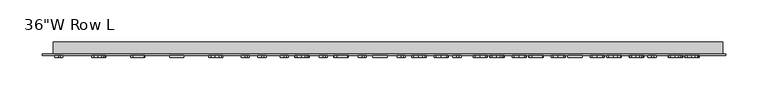
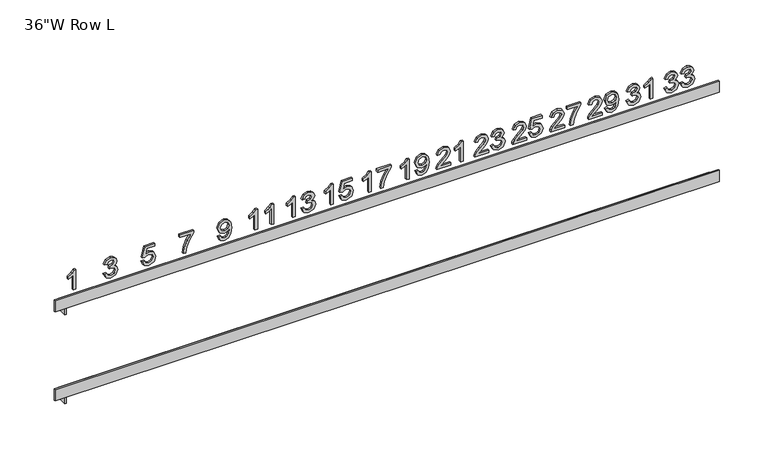
"""IFC4 building model written with IfcOpenShell, lengths in millimetres: furniture geometry."""

from ifc_helpers import new_model, si_unit, frame, origin, place, context, project, spatial, polyline, outline, extrude, faceted_brep, source, transform, mapped, element, save


def furniture_9cf8987b(model_context):
    return source(origin(), model_context, "Body", "SolidModel", [
        extrude(outline(polyline([(1595.6086217, 354.4129251), (1590.4319334, 356.9483187), (1588.432274, 362.5423814), (1590.7745542, 368.7157847), (1596.4807473, 371.1577363), (1600.6295732, 369.9367605), (1602.8098872, 366.4607171), (1604.921677, 369.0770938), (1607.8619861, 369.9616783), (1611.0795066, 369.0303728), (1613.4716225, 366.3392424), (1614.3468628, 362.4925457), (1612.5714643, 357.4217584), (1607.5692011, 354.8116111), (1607.1705151, 358.0010989), (1610.16066, 359.5646955), (1611.1573749, 362.6046761), (1610.1700042, 365.6072799), (1607.6751021, 366.7721905), (1604.8593823, 365.1649876), (1603.9810273, 361.0348501), (1600.7915394, 360.6797704), (1601.1403897, 362.9161495), (1599.835316, 366.5417002), (1596.5368125, 367.9682484), (1593.0358512, 366.5292412), (1591.6217619, 362.6545119), (1592.6496242, 359.3622378), (1596.0073077, 357.6024129), (1595.6086217, 354.4129251)])), frame((0.0, -18.25625, 0.0), z_axis=(0.0, 1.0, 0.0), x_axis=(0.0, 0.0, 1.0)), (0.0, 0.0, 1.0), 2.38125),
        extrude(outline(polyline([(1595.6086217, 373.9485382), (1590.4319334, 376.4839318), (1588.432274, 382.0779945), (1590.7745542, 388.2513977), (1596.4807473, 390.6933494), (1600.6295732, 389.4723735), (1602.8098872, 385.9963301), (1604.921677, 388.6127069), (1607.8619861, 389.4972914), (1611.0795066, 388.5659859), (1613.4716225, 385.8748555), (1614.3468628, 382.0281587), (1612.5714643, 376.9573714), (1607.5692011, 374.3472241), (1607.1705151, 377.536712), (1610.16066, 379.1003086), (1611.1573749, 382.1402892), (1610.1700042, 385.142893), (1607.6751021, 386.3078036), (1604.8593823, 384.7006007), (1603.9810273, 380.5704631), (1600.7915394, 380.2153834), (1601.1403897, 382.4517626), (1599.835316, 386.0773132), (1596.5368125, 387.5038615), (1593.0358512, 386.0648543), (1591.6217619, 382.1901249), (1592.6496242, 378.8978508), (1596.0073077, 377.138026), (1595.6086217, 373.9485382)])), frame((0.0, -18.25625, 0.0), z_axis=(0.0, 1.0, 0.0), x_axis=(0.0, 0.0, 1.0)), (0.0, 0.0, 1.0), 2.38125),
        extrude(outline(polyline([(1595.6086217, 308.3754251), (1590.4319334, 310.9108187), (1588.432274, 316.5048814), (1590.7745542, 322.6782847), (1596.4807473, 325.1202363), (1600.6295732, 323.8992605), (1602.8098872, 320.4232171), (1604.921677, 323.0395938), (1607.8619861, 323.9241783), (1611.0795066, 322.9928728), (1613.4716225, 320.3017424), (1614.3468628, 316.4550457), (1612.5714643, 311.3842584), (1607.5692011, 308.7741111), (1607.1705151, 311.9635989), (1610.16066, 313.5271955), (1611.1573749, 316.5671761), (1610.1700042, 319.5697799), (1607.6751021, 320.7346905), (1604.8593823, 319.1274876), (1603.9810273, 314.9973501), (1600.7915394, 314.6422704), (1601.1403897, 316.8786495), (1599.835316, 320.5042002), (1596.5368125, 321.9307484), (1593.0358512, 320.4917412), (1591.6217619, 316.6170119), (1592.6496242, 313.3247378), (1596.0073077, 311.5649129), (1595.6086217, 308.3754251)])), frame((0.0, -18.25625, 0.0), z_axis=(0.0, 1.0, 0.0), x_axis=(0.0, 0.0, 1.0)), (0.0, 0.0, 1.0), 2.38125),
        extrude(outline(polyline([(1588.83096, 339.8716176), (1614.3468628, 339.8716176), (1614.3468628, 337.815893), (1610.9518025, 334.9783701), (1607.9678871, 330.303154), (1604.9528244, 330.303154), (1606.5631419, 333.6608375), (1608.7154233, 336.6821297), (1588.83096, 336.6821297), (1588.83096, 339.8716176)])), frame((0.0, -18.25625, 0.0), z_axis=(0.0, 1.0, 0.0), x_axis=(0.0, 0.0, 1.0)), (0.0, 0.0, 1.0), 2.38125),
        extrude(outline(polyline([(1592.0204478, 278.6840503), (1592.0204478, 266.1565893), (1593.6432244, 267.5955965), (1596.7112376, 271.2647534), (1601.0812097, 275.8340685), (1604.2084029, 277.7184827), (1607.2328098, 278.2853643), (1612.3035971, 276.1829187), (1614.3468628, 270.4736109), (1612.5091696, 264.7829915), (1607.1705151, 262.3379251), (1606.7718291, 265.5274129), (1609.9924643, 266.8698634), (1611.1573749, 270.4050867), (1609.9644317, 273.7970323), (1607.0396963, 275.0958765), (1603.4266046, 273.719164), (1598.112868, 268.2123138), (1594.4156785, 264.2192246), (1591.0299624, 262.2818599), (1588.83096, 261.9392391), (1588.83096, 278.6840503), (1592.0204478, 278.6840503)])), frame((0.0, -18.25625, 0.0), z_axis=(0.0, 1.0, 0.0), x_axis=(0.0, 0.0, 1.0)), (0.0, 0.0, 1.0), 2.38125),
        extrude(outline(polyline([(1595.2099357, 282.2722241), (1590.2107873, 284.5584391), (1588.432274, 289.4610307), (1589.9398054, 294.3854255), (1594.3284659, 297.5531102), (1602.0748099, 298.6183494), (1609.2137808, 297.5499955), (1613.0137565, 294.4228023), (1614.3468628, 289.8784051), (1612.0108121, 284.1566383), (1605.8436383, 281.8735382), (1599.8695781, 284.0507374), (1597.6020516, 289.3800476), (1598.5302424, 292.8778942), (1600.3243293, 295.4475499), (1596.624025, 294.9865692), (1593.8519116, 293.9431333), (1592.229135, 292.1926526), (1591.6217619, 289.610538), (1592.5655263, 286.8944897), (1595.6086217, 285.461712), (1595.2099357, 282.2722241)]), holes=[polyline([(1605.918392, 295.4288615), (1602.1526783, 293.9867396), (1600.7915394, 290.3082384), (1602.1526783, 286.4771153), (1605.6879016, 285.063026), (1609.6342699, 286.5580984), (1611.1573749, 290.395451), (1609.7432856, 294.052149), (1605.918392, 295.4288615)])]), frame((0.0, -18.25625, 0.0), z_axis=(0.0, 1.0, 0.0), x_axis=(0.0, 0.0, 1.0)), (0.0, 0.0, 1.0), 2.38125),
        extrude(outline(polyline([(1592.0204478, 232.6465503), (1592.0204478, 220.1190893), (1593.6432244, 221.5580965), (1596.7112376, 225.2272534), (1601.0812097, 229.7965685), (1604.2084029, 231.6809827), (1607.2328098, 232.2478643), (1612.3035971, 230.1454187), (1614.3468628, 224.4361109), (1612.5091696, 218.7454915), (1607.1705151, 216.3004251), (1606.7718291, 219.4899129), (1609.9924643, 220.8323634), (1611.1573749, 224.3675867), (1609.9644317, 227.7595323), (1607.0396963, 229.0583765), (1603.4266046, 227.681664), (1598.112868, 222.1748138), (1594.4156785, 218.1817246), (1591.0299624, 216.2443599), (1588.83096, 215.9017391), (1588.83096, 232.6465503), (1592.0204478, 232.6465503)])), frame((0.0, -18.25625, 0.0), z_axis=(0.0, 1.0, 0.0), x_axis=(0.0, 0.0, 1.0)), (0.0, 0.0, 1.0), 2.38125),
        extrude(outline(polyline([(1610.7586889, 235.8360382), (1610.7586889, 249.3913615), (1604.1585671, 244.5697529), (1596.0259961, 241.0905948), (1588.83096, 239.822898), (1588.83096, 243.0123858), (1595.7643584, 244.1959848), (1604.5074174, 247.8308797), (1611.3691769, 252.5808494), (1613.9481768, 252.5808494), (1613.9481768, 235.8360382), (1610.7586889, 235.8360382)])), frame((0.0, -18.25625, 0.0), z_axis=(0.0, 1.0, 0.0), x_axis=(0.0, 0.0, 1.0)), (0.0, 0.0, 1.0), 2.38125),
        extrude(outline(polyline([(1592.0204478, 186.6090503), (1592.0204478, 174.0815893), (1593.6432244, 175.5205965), (1596.7112376, 179.1897534), (1601.0812097, 183.7590685), (1604.2084029, 185.6434827), (1607.2328098, 186.2103643), (1612.3035971, 184.1079187), (1614.3468628, 178.3986109), (1612.5091696, 172.7079915), (1607.1705151, 170.2629251), (1606.7718291, 173.4524129), (1609.9924643, 174.7948634), (1611.1573749, 178.3300867), (1609.9644317, 181.7220323), (1607.0396963, 183.0208765), (1603.4266046, 181.644164), (1598.112868, 176.1373138), (1594.4156785, 172.1442246), (1591.0299624, 170.2068599), (1588.83096, 169.8642391), (1588.83096, 186.6090503), (1592.0204478, 186.6090503)])), frame((0.0, -18.25625, 0.0), z_axis=(0.0, 1.0, 0.0), x_axis=(0.0, 0.0, 1.0)), (0.0, 0.0, 1.0), 2.38125),
        extrude(outline(polyline([(1595.6086217, 189.7985382), (1590.3976713, 192.2872108), (1588.432274, 197.9155355), (1591.490943, 204.54369), (1597.4089381, 206.5433494), (1603.2895563, 204.3225438), (1605.5757712, 198.8686442), (1603.7318485, 194.2027723), (1610.7586889, 195.5670259), (1610.7586889, 205.3472914), (1613.9481768, 205.3472914), (1613.9481768, 192.988026), (1600.7915394, 190.1972241), (1600.3928534, 193.386712), (1601.8318607, 195.1776842), (1602.3862834, 197.9778302), (1600.9971119, 202.0176405), (1597.2095951, 203.3538615), (1593.1510964, 201.9273132), (1591.6217619, 197.9279945), (1592.721263, 194.5952289), (1596.0073077, 192.988026), (1595.6086217, 189.7985382)])), frame((0.0, -18.25625, 0.0), z_axis=(0.0, 1.0, 0.0), x_axis=(0.0, 0.0, 1.0)), (0.0, 0.0, 1.0), 2.38125),
        extrude(outline(polyline([(1592.0204478, 140.5715503), (1592.0204478, 128.0440893), (1593.6432244, 129.4830965), (1596.7112376, 133.1522534), (1601.0812097, 137.7215685), (1604.2084029, 139.6059827), (1607.2328098, 140.1728643), (1612.3035971, 138.0704187), (1614.3468628, 132.3611109), (1612.5091696, 126.6704915), (1607.1705151, 124.2254251), (1606.7718291, 127.4149129), (1609.9924643, 128.7573634), (1611.1573749, 132.2925867), (1609.9644317, 135.6845323), (1607.0396963, 136.9833765), (1603.4266046, 135.606664), (1598.112868, 130.0998138), (1594.4156785, 126.1067246), (1591.0299624, 124.1693599), (1588.83096, 123.8267391), (1588.83096, 140.5715503), (1592.0204478, 140.5715503)])), frame((0.0, -18.25625, 0.0), z_axis=(0.0, 1.0, 0.0), x_axis=(0.0, 0.0, 1.0)), (0.0, 0.0, 1.0), 2.38125),
        extrude(outline(polyline([(1595.6086217, 143.7610382), (1590.4319334, 146.2964318), (1588.432274, 151.8904945), (1590.7745542, 158.0638977), (1596.4807473, 160.5058494), (1600.6295732, 159.2848735), (1602.8098872, 155.8088301), (1604.921677, 158.4252069), (1607.8619861, 159.3097914), (1611.0795066, 158.3784859), (1613.4716225, 155.6873555), (1614.3468628, 151.8406587), (1612.5714643, 146.7698714), (1607.5692011, 144.1597241), (1607.1705151, 147.349212), (1610.16066, 148.9128086), (1611.1573749, 151.9527892), (1610.1700042, 154.955393), (1607.6751021, 156.1203036), (1604.8593823, 154.5131007), (1603.9810273, 150.3829631), (1600.7915394, 150.0278834), (1601.1403897, 152.2642626), (1599.835316, 155.8898132), (1596.5368125, 157.3163615), (1593.0358512, 155.8773543), (1591.6217619, 152.0026249), (1592.6496242, 148.7103508), (1596.0073077, 146.950526), (1595.6086217, 143.7610382)])), frame((0.0, -18.25625, 0.0), z_axis=(0.0, 1.0, 0.0), x_axis=(0.0, 0.0, 1.0)), (0.0, 0.0, 1.0), 2.38125),
        extrude(outline(polyline([(1592.0204478, 94.5340503), (1592.0204478, 82.0065893), (1593.6432244, 83.4455965), (1596.7112376, 87.1147534), (1601.0812097, 91.6840685), (1604.2084029, 93.5684827), (1607.2328098, 94.1353643), (1612.3035971, 92.0329187), (1614.3468628, 86.3236109), (1612.5091696, 80.6329915), (1607.1705151, 78.1879251), (1606.7718291, 81.3774129), (1609.9924643, 82.7198634), (1611.1573749, 86.2550867), (1609.9644317, 89.6470323), (1607.0396963, 90.9458765), (1603.4266046, 89.569164), (1598.112868, 84.0623138), (1594.4156785, 80.0692246), (1591.0299624, 78.1318599), (1588.83096, 77.7892391), (1588.83096, 94.5340503), (1592.0204478, 94.5340503)])), frame((0.0, -18.25625, 0.0), z_axis=(0.0, 1.0, 0.0), x_axis=(0.0, 0.0, 1.0)), (0.0, 0.0, 1.0), 2.38125),
        extrude(outline(polyline([(1588.83096, 109.6841176), (1614.3468628, 109.6841176), (1614.3468628, 107.628393), (1610.9518025, 104.7908701), (1607.9678871, 100.115654), (1604.9528244, 100.115654), (1606.5631419, 103.4733375), (1608.7154233, 106.4946297), (1588.83096, 106.4946297), (1588.83096, 109.6841176)])), frame((0.0, -18.25625, 0.0), z_axis=(0.0, 1.0, 0.0), x_axis=(0.0, 0.0, 1.0)), (0.0, 0.0, 1.0), 2.38125),
        extrude(outline(polyline([(1588.83096, 44.1110045), (1614.3468628, 44.1110045), (1614.3468628, 42.0552799), (1610.9518025, 39.217757), (1607.9678871, 34.542541), (1604.9528244, 34.542541), (1606.5631419, 37.9002245), (1608.7154233, 40.9215167), (1588.83096, 40.9215167), (1588.83096, 44.1110045)])), frame((0.0, -18.25625, 0.0), z_axis=(0.0, 1.0, 0.0), x_axis=(0.0, 0.0, 1.0)), (0.0, 0.0, 1.0), 2.38125),
        extrude(outline(polyline([(1595.2099357, 52.0847241), (1590.2107873, 54.3709391), (1588.432274, 59.2735307), (1589.9398054, 64.1979255), (1594.3284659, 67.3656102), (1602.0748099, 68.4308494), (1609.2137808, 67.3624955), (1613.0137565, 64.2353023), (1614.3468628, 59.6909051), (1612.0108121, 53.9691383), (1605.8436383, 51.6860382), (1599.8695781, 53.8632374), (1597.6020516, 59.1925476), (1598.5302424, 62.6903942), (1600.3243293, 65.2600499), (1596.624025, 64.7990692), (1593.8519116, 63.7556333), (1592.229135, 62.0051526), (1591.6217619, 59.423038), (1592.5655263, 56.7069897), (1595.6086217, 55.274212), (1595.2099357, 52.0847241)]), holes=[polyline([(1605.918392, 65.2413615), (1602.1526783, 63.7992396), (1600.7915394, 60.1207384), (1602.1526783, 56.2896153), (1605.6879016, 54.875526), (1609.6342699, 56.3705984), (1611.1573749, 60.207951), (1609.7432856, 63.864649), (1605.918392, 65.2413615)])]), frame((0.0, -18.25625, 0.0), z_axis=(0.0, 1.0, 0.0), x_axis=(0.0, 0.0, 1.0)), (0.0, 0.0, 1.0), 2.38125),
        extrude(outline(polyline([(1588.83096, -1.9264955), (1614.3468628, -1.9264955), (1614.3468628, -3.9822201), (1610.9518025, -6.819743), (1607.9678871, -11.494959), (1604.9528244, -11.494959), (1606.5631419, -8.1372755), (1608.7154233, -5.1159833), (1588.83096, -5.1159833), (1588.83096, -1.9264955)])), frame((0.0, -18.25625, 0.0), z_axis=(0.0, 1.0, 0.0), x_axis=(0.0, 0.0, 1.0)), (0.0, 0.0, 1.0), 2.38125),
        extrude(outline(polyline([(1610.7586889, 5.6485382), (1610.7586889, 19.2038615), (1604.1585671, 14.3822529), (1596.0259961, 10.9030948), (1588.83096, 9.635398), (1588.83096, 12.8248858), (1595.7643584, 14.0084848), (1604.5074174, 17.6433797), (1611.3691769, 22.3933494), (1613.9481768, 22.3933494), (1613.9481768, 5.6485382), (1610.7586889, 5.6485382)])), frame((0.0, -18.25625, 0.0), z_axis=(0.0, 1.0, 0.0), x_axis=(0.0, 0.0, 1.0)), (0.0, 0.0, 1.0), 2.38125),
        extrude(outline(polyline([(1588.83096, -47.9639955), (1614.3468628, -47.9639955), (1614.3468628, -50.0197201), (1610.9518025, -52.857243), (1607.9678871, -57.532459), (1604.9528244, -57.532459), (1606.5631419, -54.1747755), (1608.7154233, -51.1534833), (1588.83096, -51.1534833), (1588.83096, -47.9639955)])), frame((0.0, -18.25625, 0.0), z_axis=(0.0, 1.0, 0.0), x_axis=(0.0, 0.0, 1.0)), (0.0, 0.0, 1.0), 2.38125),
        extrude(outline(polyline([(1595.6086217, -40.3889618), (1590.3976713, -37.9002892), (1588.432274, -32.2719645), (1591.490943, -25.64381), (1597.4089381, -23.6441506), (1603.2895563, -25.8649562), (1605.5757712, -31.3188558), (1603.7318485, -35.9847277), (1610.7586889, -34.6204741), (1610.7586889, -24.8402086), (1613.9481768, -24.8402086), (1613.9481768, -37.199474), (1600.7915394, -39.9902759), (1600.3928534, -36.800788), (1601.8318607, -35.0098158), (1602.3862834, -32.2096698), (1600.9971119, -28.1698595), (1597.2095951, -26.8336385), (1593.1510964, -28.2601868), (1591.6217619, -32.2595055), (1592.721263, -35.5922711), (1596.0073077, -37.199474), (1595.6086217, -40.3889618)])), frame((0.0, -18.25625, 0.0), z_axis=(0.0, 1.0, 0.0), x_axis=(0.0, 0.0, 1.0)), (0.0, 0.0, 1.0), 2.38125),
        extrude(outline(polyline([(1588.83096, -94.0014955), (1614.3468628, -94.0014955), (1614.3468628, -96.0572201), (1610.9518025, -98.894743), (1607.9678871, -103.569959), (1604.9528244, -103.569959), (1606.5631419, -100.2122755), (1608.7154233, -97.1909833), (1588.83096, -97.1909833), (1588.83096, -94.0014955)])), frame((0.0, -18.25625, 0.0), z_axis=(0.0, 1.0, 0.0), x_axis=(0.0, 0.0, 1.0)), (0.0, 0.0, 1.0), 2.38125),
        extrude(outline(polyline([(1595.6086217, -86.4264618), (1590.4319334, -83.8910682), (1588.432274, -78.2970055), (1590.7745542, -72.1236023), (1596.4807473, -69.6816506), (1600.6295732, -70.9026265), (1602.8098872, -74.3786699), (1604.921677, -71.7622931), (1607.8619861, -70.8777086), (1611.0795066, -71.8090141), (1613.4716225, -74.5001445), (1614.3468628, -78.3468413), (1612.5714643, -83.4176286), (1607.5692011, -86.0277759), (1607.1705151, -82.838288), (1610.16066, -81.2746914), (1611.1573749, -78.2347108), (1610.1700042, -75.232107), (1607.6751021, -74.0671964), (1604.8593823, -75.6743993), (1603.9810273, -79.8045369), (1600.7915394, -80.1596166), (1601.1403897, -77.9232374), (1599.835316, -74.2976868), (1596.5368125, -72.8711385), (1593.0358512, -74.3101457), (1591.6217619, -78.1848751), (1592.6496242, -81.4771492), (1596.0073077, -83.236974), (1595.6086217, -86.4264618)])), frame((0.0, -18.25625, 0.0), z_axis=(0.0, 1.0, 0.0), x_axis=(0.0, 0.0, 1.0)), (0.0, 0.0, 1.0), 2.38125),
        extrude(outline(polyline([(1588.83096, -140.0389955), (1614.3468628, -140.0389955), (1614.3468628, -142.0947201), (1610.9518025, -144.932243), (1607.9678871, -149.607459), (1604.9528244, -149.607459), (1606.5631419, -146.2497755), (1608.7154233, -143.2284833), (1588.83096, -143.2284833), (1588.83096, -140.0389955)])), frame((0.0, -18.25625, 0.0), z_axis=(0.0, 1.0, 0.0), x_axis=(0.0, 0.0, 1.0)), (0.0, 0.0, 1.0), 2.38125),
        extrude(outline(polyline([(1588.83096, -120.5033824), (1614.3468628, -120.5033824), (1614.3468628, -122.559107), (1610.9518025, -125.3966299), (1607.9678871, -130.071846), (1604.9528244, -130.071846), (1606.5631419, -126.7141625), (1608.7154233, -123.6928703), (1588.83096, -123.6928703), (1588.83096, -120.5033824)])), frame((0.0, -18.25625, 0.0), z_axis=(0.0, 1.0, 0.0), x_axis=(0.0, 0.0, 1.0)), (0.0, 0.0, 1.0), 2.38125),
        extrude(outline(polyline([(1595.2099357, -187.8705824), (1590.2107873, -185.5843675), (1588.432274, -180.6817758), (1589.9398054, -175.757381), (1594.3284659, -172.5896963), (1602.0748099, -171.5244572), (1609.2137808, -172.592811), (1613.0137565, -175.7200042), (1614.3468628, -180.2644014), (1612.0108121, -185.9861682), (1605.8436383, -188.2692684), (1599.8695781, -186.0920692), (1597.6020516, -180.7627589), (1598.5302424, -177.2649124), (1600.3243293, -174.6952566), (1596.624025, -175.1562373), (1593.8519116, -176.1996733), (1592.229135, -177.9501539), (1591.6217619, -180.5322686), (1592.5655263, -183.2483168), (1595.6086217, -184.6810946), (1595.2099357, -187.8705824)]), holes=[polyline([(1605.918392, -174.713945), (1602.1526783, -176.156067), (1600.7915394, -179.8345681), (1602.1526783, -183.6656912), (1605.6879016, -185.0797805), (1609.6342699, -183.5847081), (1611.1573749, -179.7473555), (1609.7432856, -176.0906576), (1605.918392, -174.713945)])]), frame((0.0, -18.25625, 0.0), z_axis=(0.0, 1.0, 0.0), x_axis=(0.0, 0.0, 1.0)), (0.0, 0.0, 1.0), 2.38125),
        extrude(outline(polyline([(1610.7586889, -234.3067684), (1610.7586889, -220.751445), (1604.1585671, -225.5730536), (1596.0259961, -229.0522117), (1588.83096, -230.3199086), (1588.83096, -227.1304207), (1595.7643584, -225.9468217), (1604.5074174, -222.3119269), (1611.3691769, -217.5619572), (1613.9481768, -217.5619572), (1613.9481768, -234.3067684), (1610.7586889, -234.3067684)])), frame((0.0, -18.25625, 0.0), z_axis=(0.0, 1.0, 0.0), x_axis=(0.0, 0.0, 1.0)), (0.0, 0.0, 1.0), 2.38125),
        extrude(outline(polyline([(1595.6086217, -280.3442684), (1590.3976713, -277.8555957), (1588.432274, -272.227271), (1591.490943, -265.5991166), (1597.4089381, -263.5994572), (1603.2895563, -265.8202627), (1605.5757712, -271.2741623), (1603.7318485, -275.9400342), (1610.7586889, -274.5757806), (1610.7586889, -264.7955151), (1613.9481768, -264.7955151), (1613.9481768, -277.1547805), (1600.7915394, -279.9455824), (1600.3928534, -276.7560946), (1601.8318607, -274.9651224), (1602.3862834, -272.1649763), (1600.9971119, -268.125166), (1597.2095951, -266.788945), (1593.1510964, -268.2154933), (1591.6217619, -272.214812), (1592.721263, -275.5475777), (1596.0073077, -277.1547805), (1595.6086217, -280.3442684)])), frame((0.0, -18.25625, 0.0), z_axis=(0.0, 1.0, 0.0), x_axis=(0.0, 0.0, 1.0)), (0.0, 0.0, 1.0), 2.38125),
        extrude(outline(polyline([(1595.6086217, -326.3817684), (1590.4319334, -323.8463747), (1588.432274, -318.252312), (1590.7745542, -312.0789088), (1596.4807473, -309.6369572), (1600.6295732, -310.857933), (1602.8098872, -314.3339764), (1604.921677, -311.7175996), (1607.8619861, -310.8330151), (1611.0795066, -311.7643207), (1613.4716225, -314.455451), (1614.3468628, -318.3021478), (1612.5714643, -323.3729351), (1607.5692011, -325.9830824), (1607.1705151, -322.7935946), (1610.16066, -321.229998), (1611.1573749, -318.1900174), (1610.1700042, -315.1874136), (1607.6751021, -314.022503), (1604.8593823, -315.6297058), (1603.9810273, -319.7598434), (1600.7915394, -320.1149231), (1601.1403897, -317.8785439), (1599.835316, -314.2529933), (1596.5368125, -312.826445), (1593.0358512, -314.2654522), (1591.6217619, -318.1401816), (1592.6496242, -321.4324557), (1596.0073077, -323.1922805), (1595.6086217, -326.3817684)])), frame((0.0, -18.25625, 0.0), z_axis=(0.0, 1.0, 0.0), x_axis=(0.0, 0.0, 1.0)), (0.0, 0.0, 1.0), 2.38125),
        extrude(outline(polyline([(1588.83096, -360.5338981), (1613.8401908, -360.5338981), (1613.8401908, -362.5488019), (1610.5125465, -365.3299798), (1607.5878831, -369.9123596), (1604.6326908, -369.9123596), (1606.2110321, -366.62135), (1608.3205754, -363.6600519), (1588.83096, -363.6600519), (1588.83096, -360.5338981)])), frame((0.0, -18.25625, 0.0), z_axis=(0.0, 1.0, 0.0), x_axis=(0.0, 0.0, 1.0)), (0.0, 0.0, 1.0), 2.38125),
        faceted_brep([(-371.7873583, -13.9699322, 1442.7357162), (-369.8823681, -13.9699322, 1442.7357162), (-369.8823681, -13.9699322, 1452.0272003), (-371.7873583, -13.9699322, 1452.0272003), (-371.7873583, 0.0, 1442.7357162), (-371.7873583, 0.0, 1455.4362794), (418.7822789, 0.0, 1455.4362794), (418.7822789, 0.0, 1452.0272003), (-369.8823681, 0.0, 1452.0272003), (-369.8823681, 0.0, 1442.7357162), (418.7822789, -13.9699322, 1452.0272003), (421.9627049, -13.9699322, 1452.0272003), (421.9627049, -15.875, 1452.0272003), (-384.4872951, -15.875, 1452.0272003), (-384.4872951, -13.9699322, 1452.0272003), (418.7822789, -13.9699322, 1455.4362794), (-371.7873583, -13.9699322, 1455.4362794), (-384.4872951, -15.875, 1466.2511232), (-384.4872951, -13.9699322, 1466.2511232), (421.9627049, -15.875, 1466.2511232), (421.9627049, -13.9699322, 1466.2511232)], [[[0, 1, 2, 3]], [[4, 5, 6, 7, 8, 9]], [[1, 0, 4, 9]], [[2, 1, 9, 8]], [[8, 7, 10, 11, 12, 13, 14, 3, 2]], [[7, 6, 15, 10]], [[6, 5, 16, 15]], [[5, 4, 0, 3, 16]], [[17, 18, 14, 13]], [[19, 12, 11, 20]], [[18, 17, 19, 20]], [[14, 18, 20, 11, 10, 15, 16, 3]], [[17, 13, 12, 19]]]),
        faceted_brep([(-371.7873583, -13.9699322, 1557.0556767), (-369.8823681, -13.9699322, 1557.0556767), (-369.8823681, -13.9699322, 1566.3266303), (-371.7873583, -13.9699322, 1566.3266303), (-371.7873583, 0.0, 1557.0556767), (-371.7873583, 0.0, 1569.7556134), (418.7822789, 0.0, 1569.7556134), (418.7822789, 0.0, 1566.3266303), (-369.8823681, 0.0, 1566.3266303), (-369.8823681, 0.0, 1557.0556767), (418.7822789, -13.9699322, 1566.3266303), (421.9627049, -13.9699322, 1566.3266303), (421.9627049, -15.875, 1566.3266303), (-384.4872951, -15.875, 1566.3266303), (-384.4872951, -13.9699322, 1566.3266303), (418.7822789, -13.9699322, 1569.7556134), (-371.7873583, -13.9699322, 1569.7556134), (-384.4872951, -15.875, 1580.55056), (-384.4872951, -13.9699322, 1580.55056), (421.9627049, -13.9699322, 1580.55056), (421.9627049, -15.875, 1580.55056)], [[[0, 1, 2, 3]], [[4, 5, 6, 7, 8, 9]], [[1, 0, 4, 9]], [[2, 1, 9, 8]], [[8, 7, 10, 11, 12, 13, 14, 3, 2]], [[7, 6, 15, 10]], [[6, 5, 16, 15]], [[5, 4, 0, 3, 16]], [[14, 13, 17, 18]], [[11, 19, 20, 12]], [[17, 13, 12, 20]], [[18, 17, 20, 19]], [[14, 18, 19, 11, 10, 15, 16, 3]]]),
    ])


if __name__ == "__main__":
    model = new_model("IFC4")
    model_context = context("Model", 3, world=origin())
    ifc_project = project(units=[si_unit("LENGTHUNIT", "METRE", prefix="MILLI")], contexts=[model_context])
    site = spatial("IfcSite", under=ifc_project)
    building = spatial("IfcBuilding", under=site)
    placement = place(None, origin())
    furniture_shape = furniture_9cf8987b(model_context)
    element("IfcFurniture", 1, ObjectType="36\"W Row L", at=placement, inside=building, context=model_context, shape_type="MappedRepresentation", body=[
        mapped(furniture_shape, transform((0.0, 0.0, 0.0), x_axis=(1.0, 0.0, 0.0), y_axis=(0.0, 1.0, 0.0), z_axis=(0.0, 0.0, 1.0))),
    ])
    save(model, "model.ifc")
